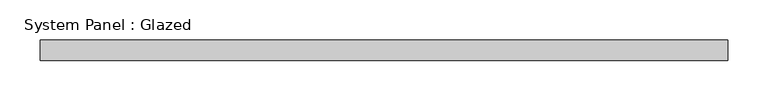
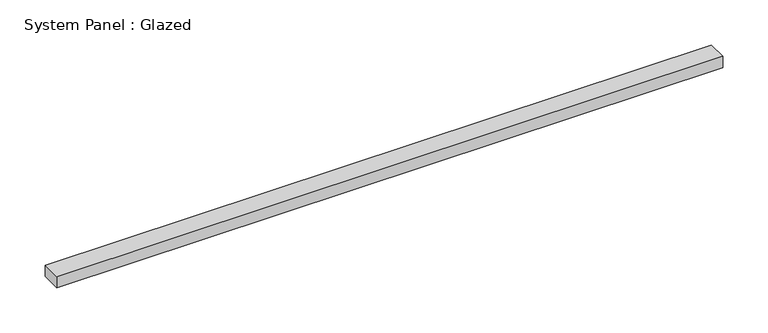
"""IFC4 building model written with IfcOpenShell, lengths in millimetres: plate geometry, System Panel : Glazed."""

from ifc_helpers import new_model, si_unit, origin, origin_with_axes, place, context, project, spatial, polyline, outline, extrude, source, transform, mapped, element, save


def system_panel_glazed_3988461d(model_context):
    return source(origin(), model_context, "Body", "SweptSolid", [
        extrude(outline(polyline([(425.0, 24.5), (-425.0, 24.5), (-425.0, 49.5), (425.0, 49.5), (425.0, 24.5)])), origin_with_axes(), (0.0, 0.0, 1.0), 15.0),
    ])


if __name__ == "__main__":
    model = new_model("IFC4")
    model_context = context("Model", 3, world=origin())
    ifc_project = project(units=[si_unit("LENGTHUNIT", "METRE", prefix="MILLI")], contexts=[model_context])
    site = spatial("IfcSite", under=ifc_project)
    building = spatial("IfcBuilding", under=site)
    placement = place(None, origin())
    system_panel_glazed_shape = system_panel_glazed_3988461d(model_context)
    element("IfcPlate", 1, ObjectType="System Panel : Glazed", at=placement, inside=building, context=model_context, shape_type="MappedRepresentation", body=[
        mapped(system_panel_glazed_shape, transform((0.0, 0.0, 0.0), x_axis=(1.0, 0.0, 0.0), y_axis=(0.0, 1.0, 0.0), z_axis=(0.0, 0.0, 1.0))),
    ])
    save(model, "model.ifc")
